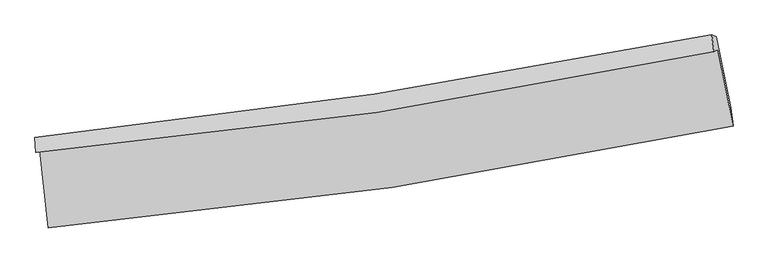
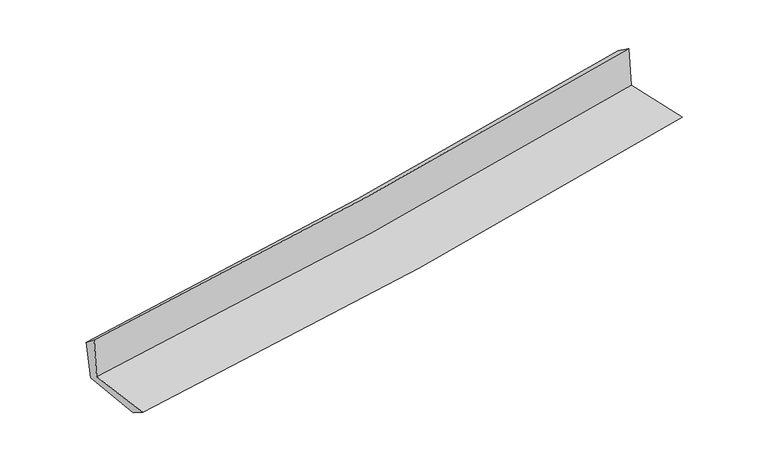
"""IFC4 building model written with IfcOpenShell, lengths in millimetres: proxy geometry."""

from ifc_helpers import new_model, si_unit, frame, origin, place, context, project, spatial, source, transform, mapped, element, save
from ifc_brep_helpers import plane_surface, spline_curve, spline_surface, advanced_brep


def generic_models_12a80198(model_context):
    return source(origin(), model_context, "Body", "AdvancedBrep", [
        advanced_brep(
        [(-2946.6768759, -1897.6931832, 1611.2288855), (-2871.6848169, -2566.2287356, 1612.5244893), (3020.5061019, -1685.5601169, 2137.2068753), (2890.4755072, -1030.6007094, 2119.3292187), (-2981.4994962, -1914.8970203, 2022.1979024), (2855.4506591, -1044.0777927, 2527.8779377), (-2986.8386869, -1785.4169114, 1919.2471151), (2836.3116504, -901.2872515, 2424.2693835), (-2951.0451846, -1806.2607108, 1545.2168559), (2873.9261748, -915.3641545, 2047.6617184), (-2880.0161811, -2420.1552001, 1522.1855452), (2999.368097, -1527.6141572, 2022.2511231)],
        [
            (0, 1),
            (1, 2, spline_curve(3, [(-2871.6848169, -2566.2287356, 1612.5244893), (-1880.930631269, -2480.135707183, 1710.715093253), (-894.081164269, -2363.602872713, 1803.569904029), (1069.967866548, -2069.932782197, 1978.444070198), (2047.18203944, -1892.909410716, 2060.483387761), (3020.5061019, -1685.5601169, 2137.2068753)], [4, 2, 4], [0.0, 9.77859902976082, 19.538888614922186])),
            (2, 3),
            (3, 0, spline_curve(3, [(2890.4755072, -1030.6007094, 2119.3292187), (1926.287028942, -1237.14317571, 2052.526361483), (958.222881847, -1412.633529771, 1976.831256457), (-987.480024836, -1701.780965462, 1807.49787231), (-1965.133338489, -1815.321436499, 1713.82619946), (-2946.6768759, -1897.6931832, 1611.2288855)], [4, 2, 4], [0.0, 9.760289585161367, 19.538888614922186])),
            (4, 0),
            (3, 5),
            (5, 4, spline_curve(3, [(2855.4506591, -1044.0777927, 2527.8779377), (1891.145974226, -1250.032659334, 2461.636281496), (923.040489941, -1425.538919151, 2386.423353504), (-1022.595288226, -1715.926340244, 2217.897032144), (-2000.139855692, -1830.693156018, 2124.549948126), (-2981.4994962, -1914.8970203, 2022.1979024)], [4, 2, 4], [0.0, 9.713377461593103, 19.44497636476894])),
            (6, 4),
            (5, 7),
            (7, 6, spline_curve(3, [(2836.3116504, -901.2872515, 2424.2693835), (1873.29954828, -1093.53171841, 2345.460508904), (906.988791608, -1263.283478998, 2264.012794697), (-1034.048933163, -1558.077833633, 2095.681948526), (-2008.788288933, -1683.035959429, 2008.788906482), (-2986.8386869, -1785.4169114, 1919.2471151)], [4, 2, 4], [0.0, 9.702200795691674, 19.42260206652412])),
            (8, 6),
            (7, 9),
            (9, 8, spline_curve(3, [(2873.9261748, -915.3641545, 2047.6617184), (1910.927635763, -1110.867223847, 1970.227197927), (944.472199394, -1282.812664122, 1889.68168643), (-997.171938404, -1579.866649759, 1722.21174813), (-1972.373621759, -1704.886728338, 1635.27563897), (-2951.0451846, -1806.2607108, 1545.2168559)], [4, 2, 4], [0.0, 9.693631704934097, 19.405447810148573])),
            (10, 8),
            (9, 11),
            (11, 10, spline_curve(3, [(2999.368097, -1527.6141572, 2022.2511231), (2026.277513127, -1721.579058192, 1947.551234604), (1050.245409989, -1892.891477558, 1868.572222529), (-909.538302779, -2190.490226408, 1701.899766133), (-1893.300959011, -2316.691487827, 1614.190252404), (-2880.0161811, -2420.1552001, 1522.1855452)], [4, 2, 4], [0.0, 9.739743727640304, 19.497758357658874])),
            (1, 10),
            (11, 2),
        ],
        [
            spline_surface(3, 3, [[(-2946.6768759, -1897.6931832, 1611.2288855), (-1965.133338554, -1815.321436385, 1713.826199536), (-987.480024777, -1701.780965572, 1807.497872236), (958.222881787, -1412.633529662, 1976.831256532), (1926.287029047, -1237.143175822, 2052.526361557), (2890.4755072, -1030.6007094, 2119.3292187)], [(-2921.679522917, -2120.538367348, 1611.660753425), (-1937.065769457, -2036.926193386, 1712.789164065), (-956.347071281, -1922.388267946, 1806.188549546), (995.471210065, -1631.733280513, 1977.368861044), (1966.585365786, -1455.731920745, 2055.178703598), (2933.81903876, -1248.920511885, 2125.288437555)], [(-2896.682169883, -2343.383551452, 1612.092621375), (-1908.998200307, -2258.530950343, 1711.752128619), (-925.214117811, -2142.995570321, 1804.879226853), (1032.719538317, -1850.833031364, 1977.906465552), (2006.883702546, -1674.320665715, 2057.831045674), (2977.16257034, -1467.240314415, 2131.247656445)], [(-2871.6848169, -2566.2287356, 1612.5244893), (-1880.930631209, -2480.135707344, 1710.715093148), (-894.081164316, -2363.602872694, 1803.569904163), (1069.967866594, -2069.932782215, 1978.444070065), (2047.182039285, -1892.909410639, 2060.483387716), (3020.5061019, -1685.5601169, 2137.2068753)]], [4, 4], [4, 2, 4], [0.0, 2.1899319411720555], [0.0, 9.77859902976082, 19.538888614922186]),
            spline_surface(3, 3, [[(-2981.4994962, -1914.8970203, 2022.1979024), (-2000.139855849, -1830.693156159, 2124.549948209), (-1022.595288385, -1715.926340117, 2217.89703204), (923.0404901, -1425.538919278, 2386.423353607), (1891.145974353, -1250.032659466, 2461.636281536), (2855.4506591, -1044.0777927, 2527.8779377)], [(-2969.891956071, -1909.162407902, 1885.208230112), (-1988.471016722, -1825.569249536, 1987.642031997), (-1010.890200511, -1711.21121529, 2081.097312117), (934.767954001, -1421.23712276, 2249.892654593), (1902.859659252, -1245.73616492, 2325.266308222), (2867.125608468, -1039.585431602, 2391.695031379)], [(-2958.284416029, -1903.427795598, 1748.218557788), (-1976.802177681, -1820.445343008, 1850.734115748), (-999.185112651, -1706.4960904, 1944.29759216), (946.495417887, -1416.93532618, 2113.361955546), (1914.573344147, -1241.439670368, 2188.89633487), (2878.800557832, -1035.093070498, 2255.512125021)], [(-2946.6768759, -1897.6931832, 1611.2288855), (-1965.133338554, -1815.321436385, 1713.826199536), (-987.480024777, -1701.780965572, 1807.497872236), (958.222881787, -1412.633529662, 1976.831256532), (1926.287029047, -1237.143175822, 2052.526361557), (2890.4755072, -1030.6007094, 2119.3292187)]], [4, 4], [4, 2, 4], [0.0, 1.3507956887976613], [0.0, 9.731598903175838, 19.44497636476894]),
            spline_surface(3, 3, [[(-2986.8386869, -1785.4169114, 1919.2471151), (-2008.788288919, -1683.035959427, 2008.788906415), (-1034.048933192, -1558.077833557, 2095.68194841), (906.988791637, -1263.283479074, 2264.012794812), (1873.299548392, -1093.531718353, 2345.460508917), (2836.3116504, -901.2872515, 2424.2693835)], [(-2985.058956692, -1828.576947704, 1953.564044213), (-2005.90547792, -1732.255025008, 2047.37592036), (-1030.2310516, -1610.694002384, 2136.420309632), (912.339357782, -1317.368625783, 2304.816314422), (1879.248357069, -1145.698698743, 2384.185766456), (2842.691319991, -948.884098585, 2458.805568233)], [(-2983.279226408, -1871.736983996, 1987.880973287), (-2003.022666847, -1781.474090577, 2085.962934265), (-1026.413169978, -1663.31017129, 2177.158670819), (917.689923956, -1371.453772569, 2345.619833997), (1885.197165675, -1197.865679077, 2422.911023997), (2849.070989509, -996.480945615, 2493.341752967)], [(-2981.4994962, -1914.8970203, 2022.1979024), (-2000.139855849, -1830.693156159, 2124.549948209), (-1022.595288385, -1715.926340117, 2217.89703204), (923.0404901, -1425.538919278, 2386.423353607), (1891.145974353, -1250.032659466, 2461.636281536), (2855.4506591, -1044.0777927, 2527.8779377)]], [4, 4], [4, 2, 4], [0.0, 0.6624104335804921], [0.0, 9.720401270832447, 19.42260206652412]),
            spline_surface(3, 3, [[(-2951.0451846, -1806.2607108, 1545.2168559), (-1972.373621875, -1704.886728205, 1635.275639113), (-997.171938492, -1579.866649822, 1722.211748283), (944.472199482, -1282.812664058, 1889.681686277), (1910.927635878, -1110.867223712, 1970.227197941), (2873.9261748, -915.3641545, 2047.6617184)], [(-2962.97635201, -1799.312777674, 1669.893608935), (-1984.5118442, -1697.603138619, 1759.780061516), (-1009.464270058, -1572.603711067, 1846.701814965), (931.977730201, -1276.30293573, 2014.458722428), (1898.384940038, -1105.088721929, 2095.304968252), (2861.387999988, -910.671853504, 2173.197606753)], [(-2974.90751949, -1792.364844526, 1794.570362065), (-1996.650066594, -1690.319549012, 1884.284484013), (-1021.756601626, -1565.340772312, 1971.191881729), (919.483260918, -1269.793207402, 2139.235758661), (1885.842244232, -1099.310220135, 2220.382738606), (2848.849825212, -905.979552496, 2298.733495147)], [(-2986.8386869, -1785.4169114, 1919.2471151), (-2008.788288919, -1683.035959427, 2008.788906415), (-1034.048933192, -1558.077833557, 2095.68194841), (906.988791637, -1263.283479074, 2264.012794812), (1873.299548392, -1093.531718353, 2345.460508917), (2836.3116504, -901.2872515, 2424.2693835)]], [4, 4], [4, 2, 4], [0.0, 1.2346176018251014], [0.0, 9.711816105214476, 19.405447810148573]),
            spline_surface(3, 3, [[(-2880.0161811, -2420.1552001, 1522.1855452), (-1893.300959165, -2316.691487889, 1614.190252266), (-909.538302873, -2190.490226383, 1701.899766124), (1050.245410083, -1892.891477582, 1868.572222538), (2026.277513152, -1721.579058111, 1947.551234599), (2999.368097, -1527.6141572, 2022.2511231)], [(-2903.692515618, -2215.52370367, 1529.862648796), (-1919.65851342, -2112.756567997, 1621.218714578), (-938.749514759, -1986.949034221, 1708.670426868), (1014.987673203, -1689.531873099, 1875.608710474), (1987.827554051, -1518.008446624, 1955.109889051), (2957.554122924, -1323.530822946, 2030.721321539)], [(-2927.368850082, -2010.89220723, 1537.539752304), (-1946.016067621, -1908.821648097, 1628.247176801), (-967.960726606, -1783.407841984, 1715.44108754), (979.729936362, -1486.172268541, 1882.64519834), (1949.377594979, -1314.437835198, 1962.668543488), (2915.740148876, -1119.447488754, 2039.191519961)], [(-2951.0451846, -1806.2607108, 1545.2168559), (-1972.373621875, -1704.886728205, 1635.275639113), (-997.171938492, -1579.866649822, 1722.211748283), (944.472199482, -1282.812664058, 1889.681686277), (1910.927635878, -1110.867223712, 1970.227197941), (2873.9261748, -915.3641545, 2047.6617184)]], [4, 4], [4, 2, 4], [0.0, 2.028573779251868], [0.0, 9.75801463001857, 19.497758357658874]),
            spline_surface(3, 3, [[(-2871.6848169, -2566.2287356, 1612.5244893), (-1880.930631209, -2480.135707344, 1710.715093148), (-894.081164316, -2363.602872694, 1803.569904163), (1069.967866594, -2069.932782215, 1978.444070065), (2047.182039285, -1892.909410639, 2060.483387716), (3020.5061019, -1685.5601169, 2137.2068753)], [(-2874.461938291, -2517.537557103, 1582.411507918), (-1885.054073852, -2425.654300862, 1678.540146173), (-899.233543826, -2305.898657238, 1769.67985813), (1063.393714433, -2010.919013985, 1941.820120869), (2040.21386391, -1835.799293141, 2022.839336685), (3013.46010027, -1632.911463678, 2098.888291241)], [(-2877.239059709, -2468.846378597, 1552.298526582), (-1889.177516522, -2371.172894371, 1646.365199242), (-904.385923363, -2248.194441839, 1735.789812157), (1056.819562244, -1951.905245812, 1905.196171733), (2033.245688527, -1778.689175609, 1985.19528563), (3006.41409863, -1580.262810422, 2060.569707159)], [(-2880.0161811, -2420.1552001, 1522.1855452), (-1893.300959165, -2316.691487889, 1614.190252266), (-909.538302873, -2190.490226383, 1701.899766124), (1050.245410083, -1892.891477582, 1868.572222538), (2026.277513152, -1721.579058111, 1947.551234599), (2999.368097, -1527.6141572, 2022.2511231)]], [4, 4], [4, 2, 4], [0.0, 0.6735380369841445], [0.0, 9.813674566491654, 19.608974012964033]),
            plane_surface(frame((2912.6730317, -1184.0840304, 2213.0993761), z_axis=(0.9763868784138015, 0.1963058997882045, 0.0901812473283451), x_axis=(-0.0993140818263294, 0.03716741647689556, 0.994361753238441))),
            plane_surface(frame((-2936.2935403, -2065.1086269, 1705.4334656), z_axis=(-0.9898464457208695, -0.11120623249820386, -0.0885278924820721), x_axis=(-0.11147427716158528, 0.9937654534532072, -0.0019258905066173412))),
        ],
        [
            (0, [[1, 2, 3, 4]]),
            (1, [[5, -4, 6, 7]]),
            (2, [[8, -7, 9, 10]]),
            (3, [[11, -10, 12, 13]]),
            (4, [[14, -13, 15, 16]]),
            (5, [[17, -16, 18, -2]]),
            (6, [[-12, -9, -6, -3, -18, -15]]),
            (7, [[-1, -5, -8, -11, -14, -17]]),
        ],
    ),
    ])


if __name__ == "__main__":
    model = new_model("IFC4")
    model_context = context("Model", 3, world=origin())
    ifc_project = project(units=[si_unit("LENGTHUNIT", "METRE", prefix="MILLI")], contexts=[model_context])
    site = spatial("IfcSite", under=ifc_project)
    building = spatial("IfcBuilding", under=site)
    placement = place(None, origin())
    generic_models_shape = generic_models_12a80198(model_context)
    element("IfcBuildingElementProxy", 1, Name="Generic Models", at=placement, inside=building, context=model_context, shape_type="MappedRepresentation", body=[
        mapped(generic_models_shape, transform((0.0, 0.0, 0.0), x_axis=(1.0, 0.0, 0.0), y_axis=(0.0, 1.0, 0.0), z_axis=(0.0, 0.0, 1.0))),
    ])
    save(model, "model.ifc")
